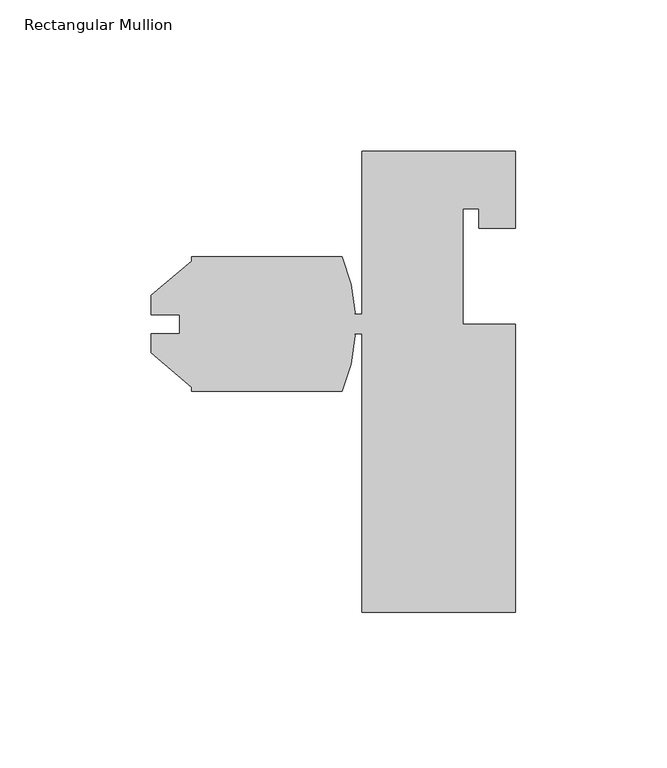
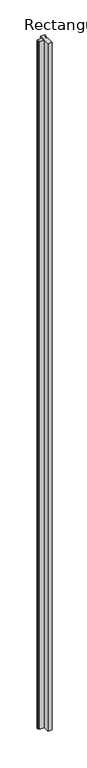
"""IFC4 building model written with IfcOpenShell, lengths in millimetres: member geometry, Rectangular Mullion."""

import ifcopenshell
import ifcopenshell.guid

model = None  # the IFC model being written
_history = None  # IfcOwnerHistory: only IFC2X3 demands one
_inside = {}  # id of a spatial element -> (the spatial element, [elements in it])
_under = {}  # id of a project, library or spatial element -> (it, [spatial elements below it])
_declared = {}  # id of a project -> (the project, [libraries it declares])
_typed = {}  # id of a type object -> (the type object, [elements of that type])
_made_of = {}  # id of a material, layer set ... -> (it, [elements and type objects made of it])


def new_model(schema):
    """Start an empty IFC model of exactly this schema.

    Asked for "IFC4X3", IfcOpenShell would pick the latest addendum, in which some entities
    have other attributes; the version numbers below select the first issue.
    IFC2X3 requires an IfcOwnerHistory on every rooted entity: one is made here for all.
    """
    global model, _history
    if schema == "IFC4X3":
        model = ifcopenshell.file(schema_version=(4, 3, 0, 0))
    else:
        model = ifcopenshell.file(schema=schema)
    _inside.clear()
    _under.clear()
    _declared.clear()
    _typed.clear()
    _made_of.clear()
    _history = None
    if model.schema == "IFC2X3":
        org = make("IfcOrganization", Name="unknown")
        user = make(
            "IfcPersonAndOrganization",
            ThePerson=make("IfcPerson", FamilyName="unknown"),
            TheOrganization=org,
        )
        app = make(
            "IfcApplication",
            ApplicationDeveloper=org,
            Version="unknown",
            ApplicationFullName="unknown",
            ApplicationIdentifier="unknown",
        )
        _history = make(
            "IfcOwnerHistory",
            OwningUser=user,
            OwningApplication=app,
            ChangeAction="ADDED",
            CreationDate=0,
        )
    return model


def make(cls, **values):
    """One entity of the class cls with the attributes given. An attribute that is None is left unset."""
    return model.create_entity(
        cls, **{name: value for name, value in values.items() if value is not None}
    )


def rooted(cls, **values):
    """An entity with a GlobalId (a new one), such as an element, a storey or a relation."""
    return make(cls, GlobalId=ifcopenshell.guid.new(), OwnerHistory=_history, **values)


def si_unit(unit_type, name, prefix=None):
    """IfcSIUnit, for example si_unit("LENGTHUNIT", "METRE", prefix="MILLI")."""
    return make("IfcSIUnit", UnitType=unit_type, Prefix=prefix, Name=name)


def assignment(units):
    """IfcUnitAssignment: the units of a project."""
    return None if units is None else make("IfcUnitAssignment", Units=units)


def point(xyz):
    """IfcCartesianPoint."""
    return None if xyz is None else make("IfcCartesianPoint", Coordinates=xyz)


def direction(xyz):
    """IfcDirection."""
    return None if xyz is None else make("IfcDirection", DirectionRatios=xyz)


def frame(location, z_axis=None, x_axis=None):
    """IfcAxis2Placement3D, a coordinate frame: its origin and axes. An axis left out is left unset."""
    return make(
        "IfcAxis2Placement3D",
        Location=point(location),
        Axis=direction(z_axis),
        RefDirection=direction(x_axis),
    )


def frame_2d(location, x_axis=None):
    """IfcAxis2Placement2D, a coordinate frame in the plane: its origin and x axis."""
    return make(
        "IfcAxis2Placement2D", Location=point(location), RefDirection=direction(x_axis)
    )


def origin():
    """The frame at (0, 0, 0) with its axes left unset."""
    return frame((0.0, 0.0, 0.0))


def place(relative_to, where):
    """IfcLocalPlacement: puts the frame where relative to a parent placement (None: the world)."""
    return make(
        "IfcLocalPlacement", PlacementRelTo=relative_to, RelativePlacement=where
    )


def context(
    kind, dimensions, precision=None, world=None, true_north=None, identifier=None
):
    """IfcGeometricRepresentationContext, for example the 3D "Model" context."""
    return make(
        "IfcGeometricRepresentationContext",
        ContextIdentifier=identifier,
        ContextType=kind,
        CoordinateSpaceDimension=dimensions,
        Precision=precision,
        WorldCoordinateSystem=world,
        TrueNorth=true_north,
    )


def project(units=None, contexts=None):
    """IfcProject with its units and contexts."""
    return rooted(
        "IfcProject",
        Name="project",
        RepresentationContexts=contexts,
        UnitsInContext=assignment(units),
    )


def spatial(cls, under=None, at=None, **own):
    """A site, building, storey or space (cls), placed at a placement, below another one or the project."""
    s = rooted(cls, ObjectPlacement=at, **own)
    if under is not None:
        _under.setdefault(under.id(), (under, []))[1].append(s)
    return s


def polyline(points):
    """IfcPolyline through the points."""
    return make("IfcPolyline", Points=[point(p) for p in points])


def circle_curve(where, radius):
    """IfcCircle in the frame where."""
    return make("IfcCircle", Position=where, Radius=radius)


def trimmed(basis, trim1, trim2, sense, master):
    """IfcTrimmedCurve: the piece of a basis curve between two trims."""
    return make(
        "IfcTrimmedCurve",
        BasisCurve=basis,
        Trim1=trim1,
        Trim2=trim2,
        SenseAgreement=sense,
        MasterRepresentation=master,
    )


def segment(curve, same_sense, transition):
    """IfcCompositeCurveSegment."""
    return make(
        "IfcCompositeCurveSegment",
        Transition=transition,
        SameSense=same_sense,
        ParentCurve=curve,
    )


def composite_curve(segments, self_intersect=None):
    """IfcCompositeCurve: segments joined end to end."""
    return make("IfcCompositeCurve", Segments=segments, SelfIntersect=self_intersect)


def outline(outer, holes=None, kind="AREA"):
    """IfcArbitraryClosedProfileDef: a profile drawn as a closed curve; with holes, ...WithVoids."""
    if holes is None:
        return make("IfcArbitraryClosedProfileDef", ProfileType=kind, OuterCurve=outer)
    return make(
        "IfcArbitraryProfileDefWithVoids",
        ProfileType=kind,
        OuterCurve=outer,
        InnerCurves=holes,
    )


def extrude(swept, where, along, depth):
    """IfcExtrudedAreaSolid: the profile swept, set in the frame where, extruded along a direction by depth."""
    return make(
        "IfcExtrudedAreaSolid",
        SweptArea=swept,
        Position=where,
        ExtrudedDirection=direction(along),
        Depth=depth,
    )


def shape(context_of_items, identifier, shape_type, items):
    """IfcShapeRepresentation: the items that make up one representation, for example the "Body"."""
    return make(
        "IfcShapeRepresentation",
        ContextOfItems=context_of_items,
        RepresentationIdentifier=identifier,
        RepresentationType=shape_type,
        Items=items,
    )


def source(mapping_origin, context_of_items, identifier, shape_type, items):
    """IfcRepresentationMap: a shape defined once, which mapped items show again and again."""
    return make(
        "IfcRepresentationMap",
        MappingOrigin=mapping_origin,
        MappedRepresentation=shape(context_of_items, identifier, shape_type, items),
    )


def transform(
    local_origin,
    x_axis=None,
    y_axis=None,
    z_axis=None,
    scale=None,
    scale2=None,
    scale3=None,
    uniform=True,
):
    """IfcCartesianTransformationOperator3D, or its non-uniform kind. x_axis, y_axis, z_axis: its Axis1, 2, 3."""
    if uniform:
        return make(
            "IfcCartesianTransformationOperator3D",
            Axis1=direction(x_axis),
            Axis2=direction(y_axis),
            LocalOrigin=point(local_origin),
            Scale=scale,
            Axis3=direction(z_axis),
        )
    return make(
        "IfcCartesianTransformationOperator3DnonUniform",
        Axis1=direction(x_axis),
        Axis2=direction(y_axis),
        LocalOrigin=point(local_origin),
        Scale=scale,
        Axis3=direction(z_axis),
        Scale2=scale2,
        Scale3=scale3,
    )


def mapped(mapping_source, mapping_target):
    """IfcMappedItem: shows the shape of a source again, moved by a transform."""
    return make(
        "IfcMappedItem", MappingSource=mapping_source, MappingTarget=mapping_target
    )


def made_of(thing, what):
    """Note that an element or type object is made of a material, layer set ...; save() writes the relation."""
    if what is not None:
        _made_of.setdefault(what.id(), (what, []))[1].append(thing)
    return thing


def element(
    cls,
    number,
    at=None,
    inside=None,
    cuts=None,
    type_object=None,
    material=None,
    context=None,
    identifier="Body",
    shape_type=None,
    held_by="IfcProductDefinitionShape",
    body=None,
    shapes=None,
    **own,
):
    """One element of the class cls, such as IfcWall. Its Tag is "e" and its number.

    at: its placement. inside: the storey or other place that contains it. cuts: it is an
    opening in that element (IfcRelVoidsElement). A single representation is given by context,
    identifier, shape_type and body (its items); several are given by shapes. held_by: the class
    of the entity that holds the representations. save() writes the other relations.
    """
    e = rooted(cls, Tag="e%d" % number, ObjectPlacement=at, **own)
    if body is not None:
        shapes = [shape(context, identifier, shape_type, body)]
    if shapes is not None:
        e.Representation = make(held_by, Representations=shapes)
    if inside is not None:
        _inside.setdefault(inside.id(), (inside, []))[1].append(e)
    if cuts is not None:
        rooted(
            "IfcRelVoidsElement", RelatingBuildingElement=cuts, RelatedOpeningElement=e
        )
    if type_object is not None:
        _typed.setdefault(type_object.id(), (type_object, []))[1].append(e)
    return made_of(e, material)


def aggregate(whole, parts):
    """IfcRelAggregates: a whole, such as a stair, and the parts it consists of."""
    return rooted("IfcRelAggregates", RelatingObject=whole, RelatedObjects=parts)


def save(model, path):
    """Write the relations noted so far, then the file.

    IfcRelAggregates (storeys below a building ...), IfcRelContainedInSpatialStructure (elements
    in a storey), IfcRelDefinesByType, IfcRelAssociatesMaterial and IfcRelDeclares: one each for
    every whole, place, type object, material and project.
    """
    for whole, parts in _under.values():
        aggregate(whole, parts)
    for where, things in _inside.values():
        rooted(
            "IfcRelContainedInSpatialStructure",
            RelatedElements=things,
            RelatingStructure=where,
        )
    for kind, things in _typed.values():
        rooted("IfcRelDefinesByType", RelatedObjects=things, RelatingType=kind)
    for what, things in _made_of.values():
        rooted("IfcRelAssociatesMaterial", RelatedObjects=things, RelatingMaterial=what)
    for by, libraries in _declared.values():
        rooted("IfcRelDeclares", RelatingContext=by, RelatedDefinitions=libraries)
    model.write(path)


def rectangular_mullion_3ffe28dc(model_context):
    return source(origin(), model_context, "Body", "SweptSolid", [
        extrude(outline(composite_curve([segment(polyline([(25.4, -98.425), (-25.4, -98.425), (-25.4, -6.3500013), (-28.2390508, -6.3500013)]), True, "CONTINUOUS"), segment(trimmed(circle_curve(frame_2d((-28.3109623, -6.9090446)), 0.5636495), [point((-28.2390508, -6.3500013))], [point((-27.7579555, -7.0180592))], False, "CARTESIAN"), True, "CONTINUOUS"), segment(trimmed(circle_curve(frame_2d((-86.3568721, -3.175)), 58.7248), [point((-27.7579555, -7.0180592))], [point((-32.0001659, -25.4))], False, "CARTESIAN"), True, "CONTINUOUS"), segment(polyline([(-32.0001659, -25.4), (-81.7221699, -25.4), (-81.7221699, -24.0032933), (-95.1841699, -12.707334), (-95.1841699, -6.3370621), (-85.7607699, -6.3370621), (-85.7607699, -0.0129379), (-95.1841699, -0.0129379), (-95.1841699, 6.357334), (-81.7221699, 17.6532933), (-81.7221699, 19.05), (-32.0001659, 19.05)]), True, "CONTINUOUS"), segment(trimmed(circle_curve(frame_2d((-86.2138474, -3.1328276)), 58.5764552), [point((-32.0001659, 19.05))], [point((-27.7621158, 0.6876672))], False, "CARTESIAN"), True, "CONTINUOUS"), segment(trimmed(circle_curve(frame_2d((-28.3122417, 0.5606975)), 0.5645882), [point((-27.7621158, 0.6876672))], [point((-28.2460849, -1.3e-06))], False, "CARTESIAN"), True, "CONTINUOUS"), segment(polyline([(-28.2460849, -1.3e-06), (-25.4, -1.3e-06), (-25.4, 53.975), (25.4, 53.975), (25.4, 28.575), (13.208, 28.575), (13.208, 34.925), (7.9502, 34.925), (7.9502, -3.175), (25.4, -3.175), (25.4, -98.425)]), True, "CONTINUOUS")], self_intersect=False)), frame((0.0, 0.0, -8635.0685723), z_axis=(0.0, 0.0, 1.0), x_axis=(1.0, 0.0, 0.0)), (0.0, 0.0, 1.0), 8635.0685723),
    ])


if __name__ == "__main__":
    model = new_model("IFC4")
    model_context = context("Model", 3, world=origin())
    ifc_project = project(units=[si_unit("LENGTHUNIT", "METRE", prefix="MILLI")], contexts=[model_context])
    site = spatial("IfcSite", under=ifc_project)
    building = spatial("IfcBuilding", under=site)
    placement = place(None, origin())
    rectangular_mullion_shape = rectangular_mullion_3ffe28dc(model_context)
    element("IfcMember", 1, ObjectType="Rectangular Mullion", at=placement, inside=building, context=model_context, shape_type="MappedRepresentation", body=[
        mapped(rectangular_mullion_shape, transform((0.0, 0.0, 0.0), x_axis=(1.0, 0.0, 0.0), y_axis=(0.0, 1.0, 0.0), z_axis=(0.0, 0.0, 1.0))),
    ])
    save(model, "model.ifc")
